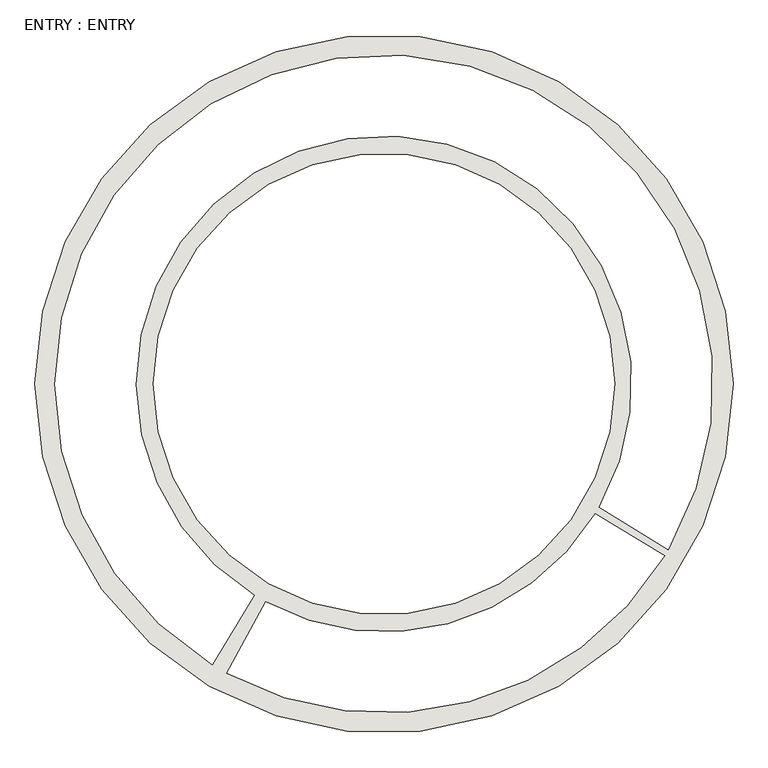
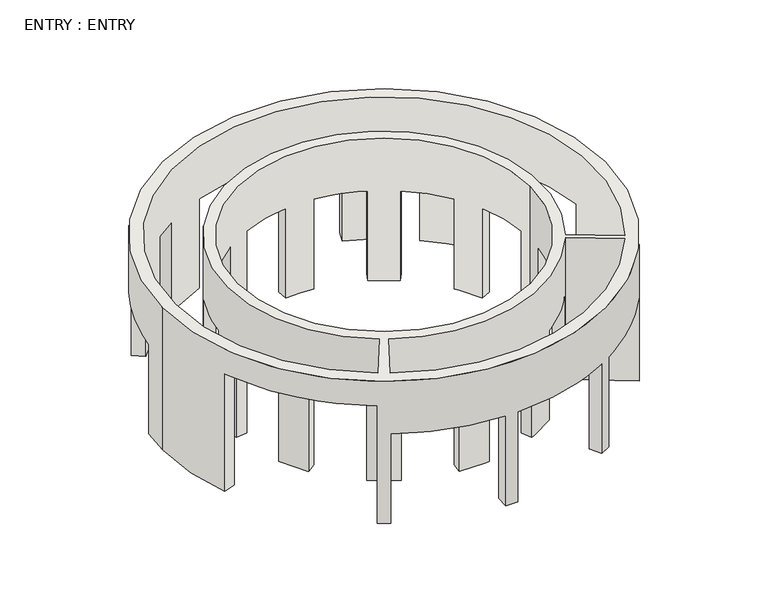
"""IFC4 building model written with IfcOpenShell, lengths in millimetres: wall geometry, ENTRY : ENTRY."""

from ifc_helpers import new_model, si_unit, frame, origin, place, context, project, spatial, polyline, circle_curve, source, transform, mapped, element, save
from ifc_brep_helpers import plane_surface, cylinder_surface, revolved_surface, advanced_brep


def entry_entry_0a0438bb(model_context):
    return source(origin(), model_context, "Body", "AdvancedBrep", [
        advanced_brep(
        [(-33173.9440345, -26167.559635, 5791.2), (-16105.1440345, -26167.559635, 5791.2), (-30278.3440345, -26167.559635, 5791.2), (-19000.7440345, -26167.559635, 5791.2), (-19468.9209178, -29336.1215561, 5791.2), (-17779.6702242, -30371.2957125, 5791.2), (-28478.5009822, -33238.0387741, 5791.2), (-27533.1540464, -31496.9263105, 5791.2), (-28843.280112, -33027.4334453, 5791.2), (-17688.4453157, -30218.6696439, 5791.2), (-19378.2435507, -29183.1599537, 5791.2), (-27808.1059556, -31338.1827517, 5791.2), (-29230.1786194, -22893.0918084, 0.0), (-29770.6336487, -23829.1873783, 0.0), (-30157.7766714, -23652.7561382, 0.0), (-29576.5440667, -22646.0317359, 0.0), (-30278.3440345, -26167.559635, 0.0), (-30252.3841179, -26708.0146643, 0.0), (-30675.8754305, -26748.7922397, 0.0), (-30675.8754305, -25586.3270303, 0.0), (-30252.3841179, -25627.1046057, 0.0), (-26977.9162912, -21036.4700208, 0.0), (-27914.0118612, -21576.9250501, 0.0), (-28161.0719337, -21230.5596028, 0.0), (-27154.3475313, -20649.3269981, 0.0), (-24099.0890052, -20554.7195517, 0.0), (-25179.9990638, -20554.7195517, 0.0), (-25220.7766392, -20131.2282391, 0.0), (-24058.3114298, -20131.2282391, 0.0), (-21365.0762078, -21576.9250501, 0.0), (-22301.1717778, -21036.4700208, 0.0), (-22124.7405377, -20649.3269981, 0.0), (-21118.0161353, -21230.5596028, 0.0), (-19026.7039512, -26708.0146643, 0.0), (-19000.7440345, -26167.559635, 0.0), (-19026.7039512, -25627.1046057, 0.0), (-18603.2126386, -25586.3270303, 0.0), (-18603.2126386, -26748.7922397, 0.0), (-19508.4544203, -23829.1873783, 0.0), (-20048.9094496, -22893.0918084, 0.0), (-19702.5440023, -22646.0317359, 0.0), (-19121.3113976, -23652.7561382, 0.0), (-29770.6336487, -28505.9318917, 0.0), (-29230.1786194, -29442.0274617, 0.0), (-29576.5440667, -29689.0875342, 0.0), (-30157.7766714, -28682.3631318, 0.0), (-33173.9440345, -26167.559635, 0.0), (-33110.3299111, -25127.4779107, 0.0), (-32625.0244702, -25187.0659261, 0.0), (-32125.1720568, -29116.2269296, 0.0), (-32580.0997267, -29295.4277044, 0.0), (-31318.6350883, -20854.7707201, 0.0), (-29952.3329494, -19488.4685812, 0.0), (-29647.9544178, -19871.1248395, 0.0), (-30935.9788301, -21159.1492517, 0.0), (-29130.4641445, -18910.313606, 0.0), (-27558.4807457, -18147.8469322, 0.0), (-27391.2499966, -18607.3096391, 0.0), (-28873.1718466, -19326.0933264, 0.0), (-19326.7551196, -19488.4685812, 0.0), (-17960.4529807, -20854.7707201, 0.0), (-18343.109239, -21159.1492517, 0.0), (-19631.1336512, -19871.1248395, 0.0), (-21720.6073233, -18147.8469322, 0.0), (-20148.6239245, -18910.313606, 0.0), (-20405.9162225, -19326.0933264, 0.0), (-21887.8380724, -18607.3096391, 0.0), (-24416.1394869, -34699.0351093, 0.0), (-24862.9485821, -34699.0351093, 0.0), (-24850.1493633, -34210.2526602, 0.0), (-24428.9387057, -34210.2526602, 0.0), (-20180.3322838, -33444.3318537, 0.0), (-20567.2803109, -33667.7364013, 0.0), (-20800.5870868, -33238.0387741, 0.0), (-20435.807957, -33027.4334453, 0.0), (-19378.2435507, -29183.1599537, 0.0), (-17688.4453157, -30218.6696439, 0.0), (-16654.0635988, -25187.0659261, 0.0), (-16168.7581579, -25127.4779107, 0.0), (-16105.1440345, -26167.559635, 0.0), (-17362.7718158, -30626.7713857, 0.0), (-19468.9209178, -29336.1215561, 0.0), (-19702.5440023, -29689.0875342, 0.0), (-20048.9094496, -29442.0274617, 0.0), (-19508.4544203, -28505.9318917, 0.0), (-19121.3113976, -28682.3631318, 0.0), (-21118.0161353, -31104.5596672, 0.0), (-22124.7405377, -31685.7922719, 0.0), (-22301.1717778, -31298.6492492, 0.0), (-21365.0762078, -30758.1942199, 0.0), (-24058.3114298, -32203.891031, 0.0), (-25220.7766392, -32203.891031, 0.0), (-25179.9990638, -31780.3997184, 0.0), (-24099.0890052, -31780.3997184, 0.0), (-29098.7557852, -33444.3318537, 0.0), (-27808.1059556, -31338.1827517, 0.0), (-28161.0719337, -31104.5596672, 0.0), (-27914.0118612, -30758.1942199, 0.0), (-26977.9162912, -31298.6492492, 0.0), (-27154.3475313, -31685.7922719, 0.0), (-27533.1540464, -31496.9263105, 0.0), (-28711.8077581, -33667.7364013, 0.0), (-32580.0997267, -29295.4277044, 4794.25), (-29098.7557852, -33444.3318537, 4794.25), (-28711.8077581, -33667.7364013, 3657.6), (-24862.9485821, -34699.0351093, 3657.6), (-24416.1394869, -34699.0351093, 3657.6), (-20567.2803109, -33667.7364013, 3657.6), (-20180.3322838, -33444.3318537, 3657.6), (-17362.7718158, -30626.7713857, 3657.6), (-16168.7581579, -25127.4779107, 3657.6), (-17960.4529807, -20854.7707201, 3657.6), (-19326.7551196, -19488.4685812, 3657.6), (-20148.6239245, -18910.313606, 3657.6), (-21720.6073233, -18147.8469322, 3657.6), (-27558.4807457, -18147.8469322, 3657.6), (-29130.4641445, -18910.313606, 3657.6), (-29952.3329494, -19488.4685812, 3657.6), (-31318.6350883, -20854.7707201, 3657.6), (-33110.3299111, -25127.4779107, 3657.6), (-27154.3475313, -31685.7922719, 3657.6), (-25220.7766392, -32203.891031, 3657.6), (-24058.3114298, -32203.891031, 3657.6), (-22124.7405377, -31685.7922719, 3657.6), (-21118.0161353, -31104.5596672, 3657.6), (-19702.5440023, -29689.0875342, 3657.6), (-30252.3841179, -25627.1046057, 3657.6), (-29770.6336487, -23829.1873783, 3657.6), (-29230.1786194, -22893.0918084, 3657.6), (-27914.0118612, -21576.9250501, 3657.6), (-26977.9162912, -21036.4700208, 3657.6), (-25179.9990638, -20554.7195517, 3657.6), (-24099.0890052, -20554.7195517, 3657.6), (-22301.1717778, -21036.4700208, 3657.6), (-21365.0762078, -21576.9250501, 3657.6), (-20048.9094496, -22893.0918084, 3657.6), (-19508.4544203, -23829.1873783, 3657.6), (-19026.7039512, -25627.1046057, 3657.6), (-19026.7039512, -26708.0146643, 3657.6), (-19508.4544203, -28505.9318917, 3657.6), (-20048.9094496, -29442.0274617, 3657.6), (-21365.0762078, -30758.1942199, 3657.6), (-22301.1717778, -31298.6492492, 3657.6), (-24099.0890052, -31780.3997184, 3657.6), (-25179.9990638, -31780.3997184, 3657.6), (-26977.9162912, -31298.6492492, 3657.6), (-27914.0118612, -30758.1942199, 3657.6), (-29230.1786194, -29442.0274617, 3657.6), (-29770.6336487, -28505.9318917, 3657.6), (-30252.3841179, -26708.0146643, 3657.6), (-28161.0719337, -21230.5596028, 3657.6), (-29576.5440667, -22646.0317359, 3657.6), (-30675.8754305, -25586.3270303, 3657.6), (-30157.7766714, -23652.7561382, 3657.6), (-25220.7766392, -20131.2282391, 3657.6), (-27154.3475313, -20649.3269981, 3657.6), (-24058.3114298, -20131.2282391, 3657.6), (-22124.7405377, -20649.3269981, 3657.6), (-19702.5440023, -22646.0317359, 3657.6), (-21118.0161353, -21230.5596028, 3657.6), (-19121.3113976, -23652.7561382, 3657.6), (-18603.2126386, -25586.3270303, 3657.6), (-18603.2126386, -26748.7922397, 3657.6), (-19121.3113976, -28682.3631318, 3657.6), (-29576.5440667, -29689.0875342, 3657.6), (-28161.0719337, -31104.5596672, 3657.6), (-30157.7766714, -28682.3631318, 3657.6), (-30675.8754305, -26748.7922397, 3657.6), (-32625.0244702, -25187.0659261, 3657.6), (-30935.9788301, -21159.1492517, 3657.6), (-29647.9544178, -19871.1248395, 3657.6), (-28873.1718466, -19326.0933264, 3657.6), (-27391.2499966, -18607.3096391, 3657.6), (-21887.8380724, -18607.3096391, 3657.6), (-18343.109239, -21159.1492517, 3657.6), (-16654.0635988, -25187.0659261, 3657.6), (-20405.9162225, -19326.0933264, 3657.6), (-19631.1336512, -19871.1248395, 3657.6), (-24850.1493633, -34210.2526602, 3657.6), (-28478.5009822, -33238.0387741, 3657.6), (-20800.5870868, -33238.0387741, 3657.6), (-24428.9387057, -34210.2526602, 3657.6), (-17779.6702242, -30371.2957125, 3657.6), (-20435.807957, -33027.4334453, 3657.6), (-28843.280112, -33027.4334453, 4794.25), (-32125.1720568, -29116.2269296, 4794.25)],
        [
            (0, 1, circle_curve(frame((-24639.5440345, -26167.559635, 5791.2), z_axis=(0.0, 0.0, 1.0), x_axis=(1.0, 0.0, 0.0)), 8534.4)),
            (1, 0, circle_curve(frame((-24639.5440345, -26167.559635, 5791.2), z_axis=(0.0, 0.0, 1.0), x_axis=(1.0, 0.0, 0.0)), 8534.4)),
            (2, 3, circle_curve(frame((-24639.5440345, -26167.559635, 5791.2), z_axis=(0.0, 0.0, -1.0), x_axis=(1.0, 0.0, 0.0)), 5638.8)),
            (3, 2, circle_curve(frame((-24639.5440345, -26167.559635, 5791.2), z_axis=(0.0, 0.0, -1.0), x_axis=(1.0, 0.0, 0.0)), 5638.8)),
            (4, 5),
            (5, 6, circle_curve(frame((-24639.5440345, -26167.559635, 5791.2), z_axis=(0.0, 0.0, -1.0), x_axis=(1.0, 0.0, 0.0)), 8045.45)),
            (6, 7),
            (7, 4, circle_curve(frame((-24639.5440345, -26167.559635, 5791.2), z_axis=(0.0, 0.0, 1.0), x_axis=(1.0, 0.0, 0.0)), 6064.25)),
            (8, 9, circle_curve(frame((-24639.5440345, -26167.559635, 5791.2), z_axis=(0.0, 0.0, -1.0), x_axis=(1.0, 0.0, 0.0)), 8045.45)),
            (9, 10),
            (10, 11, circle_curve(frame((-24639.5440345, -26167.559635, 5791.2), z_axis=(0.0, 0.0, 1.0), x_axis=(1.0, 0.0, 0.0)), 6064.25)),
            (11, 8),
            (12, 13, circle_curve(frame((-24639.5440345, -26167.559635, 0.0), z_axis=(0.0, 0.0, 1.0), x_axis=(1.0, 0.0, 0.0)), 5638.8)),
            (13, 14),
            (14, 15, circle_curve(frame((-24639.5440345, -26167.559635, 0.0), z_axis=(0.0, 0.0, -1.0), x_axis=(1.0, 0.0, 0.0)), 6064.25)),
            (15, 12),
            (16, 17, circle_curve(frame((-24639.5440345, -26167.559635, 0.0), z_axis=(0.0, 0.0, 1.0), x_axis=(1.0, 0.0, 0.0)), 5638.8)),
            (17, 18),
            (18, 19, circle_curve(frame((-24639.5440345, -26167.559635, 0.0), z_axis=(0.0, 0.0, -1.0), x_axis=(1.0, 0.0, 0.0)), 6064.25)),
            (19, 20),
            (20, 16, circle_curve(frame((-24639.5440345, -26167.559635, 0.0), z_axis=(0.0, 0.0, 1.0), x_axis=(1.0, 0.0, 0.0)), 5638.8)),
            (21, 22, circle_curve(frame((-24639.5440345, -26167.559635, 0.0), z_axis=(0.0, 0.0, 1.0), x_axis=(1.0, 0.0, 0.0)), 5638.8)),
            (22, 23),
            (23, 24, circle_curve(frame((-24639.5440345, -26167.559635, 0.0), z_axis=(0.0, 0.0, -1.0), x_axis=(1.0, 0.0, 0.0)), 6064.25)),
            (24, 21),
            (25, 26, circle_curve(frame((-24639.5440345, -26167.559635, 0.0), z_axis=(0.0, 0.0, 1.0), x_axis=(1.0, 0.0, 0.0)), 5638.8)),
            (26, 27),
            (27, 28, circle_curve(frame((-24639.5440345, -26167.559635, 0.0), z_axis=(0.0, 0.0, -1.0), x_axis=(1.0, 0.0, 0.0)), 6064.25)),
            (28, 25),
            (29, 30, circle_curve(frame((-24639.5440345, -26167.559635, 0.0), z_axis=(0.0, 0.0, 1.0), x_axis=(1.0, 0.0, 0.0)), 5638.8)),
            (30, 31),
            (31, 32, circle_curve(frame((-24639.5440345, -26167.559635, 0.0), z_axis=(0.0, 0.0, -1.0), x_axis=(1.0, 0.0, 0.0)), 6064.25)),
            (32, 29),
            (33, 34, circle_curve(frame((-24639.5440345, -26167.559635, 0.0), z_axis=(0.0, 0.0, 1.0), x_axis=(1.0, 0.0, 0.0)), 5638.8)),
            (34, 35, circle_curve(frame((-24639.5440345, -26167.559635, 0.0), z_axis=(0.0, 0.0, 1.0), x_axis=(1.0, 0.0, 0.0)), 5638.8)),
            (35, 36),
            (36, 37, circle_curve(frame((-24639.5440345, -26167.559635, 0.0), z_axis=(0.0, 0.0, -1.0), x_axis=(1.0, 0.0, 0.0)), 6064.25)),
            (37, 33),
            (38, 39, circle_curve(frame((-24639.5440345, -26167.559635, 0.0), z_axis=(0.0, 0.0, 1.0), x_axis=(1.0, 0.0, 0.0)), 5638.8)),
            (39, 40),
            (40, 41, circle_curve(frame((-24639.5440345, -26167.559635, 0.0), z_axis=(0.0, 0.0, -1.0), x_axis=(1.0, 0.0, 0.0)), 6064.25)),
            (41, 38),
            (42, 43, circle_curve(frame((-24639.5440345, -26167.559635, 0.0), z_axis=(0.0, 0.0, 1.0), x_axis=(1.0, 0.0, 0.0)), 5638.8)),
            (43, 44),
            (44, 45, circle_curve(frame((-24639.5440345, -26167.559635, 0.0), z_axis=(0.0, 0.0, -1.0), x_axis=(1.0, 0.0, 0.0)), 6064.25)),
            (45, 42),
            (46, 47, circle_curve(frame((-24639.5440345, -26167.559635, 0.0), z_axis=(0.0, 0.0, -1.0), x_axis=(1.0, 0.0, 0.0)), 8534.4)),
            (47, 48),
            (48, 49, circle_curve(frame((-24639.5440345, -26167.559635, 0.0), z_axis=(0.0, 0.0, 1.0), x_axis=(1.0, 0.0, 0.0)), 8045.45)),
            (49, 50),
            (50, 46, circle_curve(frame((-24639.5440345, -26167.559635, 0.0), z_axis=(0.0, 0.0, -1.0), x_axis=(1.0, 0.0, 0.0)), 8534.4)),
            (51, 52, circle_curve(frame((-24639.5440345, -26167.559635, 0.0), z_axis=(0.0, 0.0, -1.0), x_axis=(1.0, 0.0, 0.0)), 8534.4)),
            (52, 53),
            (53, 54, circle_curve(frame((-24639.5440345, -26167.559635, 0.0), z_axis=(0.0, 0.0, 1.0), x_axis=(1.0, 0.0, 0.0)), 8045.45)),
            (54, 51),
            (55, 56, circle_curve(frame((-24639.5440345, -26167.559635, 0.0), z_axis=(0.0, 0.0, -1.0), x_axis=(1.0, 0.0, 0.0)), 8534.4)),
            (56, 57),
            (57, 58, circle_curve(frame((-24639.5440345, -26167.559635, 0.0), z_axis=(0.0, 0.0, 1.0), x_axis=(1.0, 0.0, 0.0)), 8045.45)),
            (58, 55),
            (59, 60, circle_curve(frame((-24639.5440345, -26167.559635, 0.0), z_axis=(0.0, 0.0, -1.0), x_axis=(1.0, 0.0, 0.0)), 8534.4)),
            (60, 61),
            (61, 62, circle_curve(frame((-24639.5440345, -26167.559635, 0.0), z_axis=(0.0, 0.0, 1.0), x_axis=(1.0, 0.0, 0.0)), 8045.45)),
            (62, 59),
            (63, 64, circle_curve(frame((-24639.5440345, -26167.559635, 0.0), z_axis=(0.0, 0.0, -1.0), x_axis=(1.0, 0.0, 0.0)), 8534.4)),
            (64, 65),
            (65, 66, circle_curve(frame((-24639.5440345, -26167.559635, 0.0), z_axis=(0.0, 0.0, 1.0), x_axis=(1.0, 0.0, 0.0)), 8045.45)),
            (66, 63),
            (67, 68, circle_curve(frame((-24639.5440345, -26167.559635, 0.0), z_axis=(0.0, 0.0, -1.0), x_axis=(1.0, 0.0, 0.0)), 8534.4)),
            (68, 69),
            (69, 70, circle_curve(frame((-24639.5440345, -26167.559635, 0.0), z_axis=(0.0, 0.0, 1.0), x_axis=(1.0, 0.0, 0.0)), 8045.45)),
            (70, 67),
            (71, 72, circle_curve(frame((-24639.5440345, -26167.559635, 0.0), z_axis=(0.0, 0.0, -1.0), x_axis=(1.0, 0.0, 0.0)), 8534.4)),
            (72, 73),
            (73, 74, circle_curve(frame((-24639.5440345, -26167.559635, 0.0), z_axis=(0.0, 0.0, 1.0), x_axis=(1.0, 0.0, 0.0)), 8045.45)),
            (74, 71),
            (75, 76),
            (76, 77, circle_curve(frame((-24639.5440345, -26167.559635, 0.0), z_axis=(0.0, 0.0, 1.0), x_axis=(1.0, 0.0, 0.0)), 8045.45)),
            (77, 78),
            (78, 79, circle_curve(frame((-24639.5440345, -26167.559635, 0.0), z_axis=(0.0, 0.0, -1.0), x_axis=(1.0, 0.0, 0.0)), 8534.4)),
            (79, 80, circle_curve(frame((-24639.5440345, -26167.559635, 0.0), z_axis=(0.0, 0.0, -1.0), x_axis=(1.0, 0.0, 0.0)), 8534.4)),
            (80, 81),
            (81, 82, circle_curve(frame((-24639.5440345, -26167.559635, 0.0), z_axis=(0.0, 0.0, -1.0), x_axis=(1.0, 0.0, 0.0)), 6064.25)),
            (82, 83),
            (83, 84, circle_curve(frame((-24639.5440345, -26167.559635, 0.0), z_axis=(0.0, 0.0, 1.0), x_axis=(1.0, 0.0, 0.0)), 5638.8)),
            (84, 85),
            (85, 75, circle_curve(frame((-24639.5440345, -26167.559635, 0.0), z_axis=(0.0, 0.0, -1.0), x_axis=(1.0, 0.0, 0.0)), 6064.25)),
            (86, 87, circle_curve(frame((-24639.5440345, -26167.559635, 0.0), z_axis=(0.0, 0.0, -1.0), x_axis=(1.0, 0.0, 0.0)), 6064.25)),
            (87, 88),
            (88, 89, circle_curve(frame((-24639.5440345, -26167.559635, 0.0), z_axis=(0.0, 0.0, 1.0), x_axis=(1.0, 0.0, 0.0)), 5638.8)),
            (89, 86),
            (90, 91, circle_curve(frame((-24639.5440345, -26167.559635, 0.0), z_axis=(0.0, 0.0, -1.0), x_axis=(1.0, 0.0, 0.0)), 6064.25)),
            (91, 92),
            (92, 93, circle_curve(frame((-24639.5440345, -26167.559635, 0.0), z_axis=(0.0, 0.0, 1.0), x_axis=(1.0, 0.0, 0.0)), 5638.8)),
            (93, 90),
            (94, 95),
            (95, 96, circle_curve(frame((-24639.5440345, -26167.559635, 0.0), z_axis=(0.0, 0.0, -1.0), x_axis=(1.0, 0.0, 0.0)), 6064.25)),
            (96, 97),
            (97, 98, circle_curve(frame((-24639.5440345, -26167.559635, 0.0), z_axis=(0.0, 0.0, 1.0), x_axis=(1.0, 0.0, 0.0)), 5638.8)),
            (98, 99),
            (99, 100, circle_curve(frame((-24639.5440345, -26167.559635, 0.0), z_axis=(0.0, 0.0, -1.0), x_axis=(1.0, 0.0, 0.0)), 6064.25)),
            (100, 101),
            (101, 94, circle_curve(frame((-24639.5440345, -26167.559635, 0.0), z_axis=(0.0, 0.0, -1.0), x_axis=(1.0, 0.0, 0.0)), 8534.4)),
            (0, 46),
            (50, 102),
            (102, 103, circle_curve(frame((-24639.5440345, -26167.559635, 4794.25), z_axis=(0.0, 0.0, 1.0), x_axis=(1.0, 0.0, 0.0)), 8534.4)),
            (103, 94),
            (101, 104),
            (104, 105, circle_curve(frame((-24639.5440345, -26167.559635, 3657.6), z_axis=(0.0, 0.0, 1.0), x_axis=(1.0, 0.0, 0.0)), 8534.4)),
            (105, 68),
            (67, 106),
            (106, 107, circle_curve(frame((-24639.5440345, -26167.559635, 3657.6), z_axis=(0.0, 0.0, 1.0), x_axis=(1.0, 0.0, 0.0)), 8534.4)),
            (107, 72),
            (71, 108),
            (108, 109, circle_curve(frame((-24639.5440345, -26167.559635, 3657.6), z_axis=(0.0, 0.0, 1.0), x_axis=(1.0, 0.0, 0.0)), 8534.4)),
            (109, 80),
            (79, 1),
            (78, 110),
            (110, 111, circle_curve(frame((-24639.5440345, -26167.559635, 3657.6), z_axis=(0.0, 0.0, 1.0), x_axis=(1.0, 0.0, 0.0)), 8534.4)),
            (111, 60),
            (59, 112),
            (112, 113, circle_curve(frame((-24639.5440345, -26167.559635, 3657.6), z_axis=(0.0, 0.0, 1.0), x_axis=(1.0, 0.0, 0.0)), 8534.4)),
            (113, 64),
            (63, 114),
            (114, 115, circle_curve(frame((-24639.5440345, -26167.559635, 3657.6), z_axis=(0.0, 0.0, 1.0), x_axis=(1.0, 0.0, 0.0)), 8534.4)),
            (115, 56),
            (55, 116),
            (116, 117, circle_curve(frame((-24639.5440345, -26167.559635, 3657.6), z_axis=(0.0, 0.0, 1.0), x_axis=(1.0, 0.0, 0.0)), 8534.4)),
            (117, 52),
            (51, 118),
            (118, 119, circle_curve(frame((-24639.5440345, -26167.559635, 3657.6), z_axis=(0.0, 0.0, 1.0), x_axis=(1.0, 0.0, 0.0)), 8534.4)),
            (119, 47),
            (7, 100),
            (99, 120),
            (120, 121, circle_curve(frame((-24639.5440345, -26167.559635, 3657.6), z_axis=(0.0, 0.0, 1.0), x_axis=(1.0, 0.0, 0.0)), 6064.25)),
            (121, 91),
            (90, 122),
            (122, 123, circle_curve(frame((-24639.5440345, -26167.559635, 3657.6), z_axis=(0.0, 0.0, 1.0), x_axis=(1.0, 0.0, 0.0)), 6064.25)),
            (123, 87),
            (86, 124),
            (124, 125, circle_curve(frame((-24639.5440345, -26167.559635, 3657.6), z_axis=(0.0, 0.0, 1.0), x_axis=(1.0, 0.0, 0.0)), 6064.25)),
            (125, 82),
            (81, 4),
            (2, 16),
            (20, 126),
            (126, 127, circle_curve(frame((-24639.5440345, -26167.559635, 3657.6), z_axis=(0.0, 0.0, -1.0), x_axis=(1.0, 0.0, 0.0)), 5638.8)),
            (127, 13),
            (12, 128),
            (128, 129, circle_curve(frame((-24639.5440345, -26167.559635, 3657.6), z_axis=(0.0, 0.0, -1.0), x_axis=(1.0, 0.0, 0.0)), 5638.8)),
            (129, 22),
            (21, 130),
            (130, 131, circle_curve(frame((-24639.5440345, -26167.559635, 3657.6), z_axis=(0.0, 0.0, -1.0), x_axis=(1.0, 0.0, 0.0)), 5638.8)),
            (131, 26),
            (25, 132),
            (132, 133, circle_curve(frame((-24639.5440345, -26167.559635, 3657.6), z_axis=(0.0, 0.0, -1.0), x_axis=(1.0, 0.0, 0.0)), 5638.8)),
            (133, 30),
            (29, 134),
            (134, 135, circle_curve(frame((-24639.5440345, -26167.559635, 3657.6), z_axis=(0.0, 0.0, -1.0), x_axis=(1.0, 0.0, 0.0)), 5638.8)),
            (135, 39),
            (38, 136),
            (136, 137, circle_curve(frame((-24639.5440345, -26167.559635, 3657.6), z_axis=(0.0, 0.0, -1.0), x_axis=(1.0, 0.0, 0.0)), 5638.8)),
            (137, 35),
            (34, 3),
            (33, 138),
            (138, 139, circle_curve(frame((-24639.5440345, -26167.559635, 3657.6), z_axis=(0.0, 0.0, -1.0), x_axis=(1.0, 0.0, 0.0)), 5638.8)),
            (139, 84),
            (83, 140),
            (140, 141, circle_curve(frame((-24639.5440345, -26167.559635, 3657.6), z_axis=(0.0, 0.0, -1.0), x_axis=(1.0, 0.0, 0.0)), 5638.8)),
            (141, 89),
            (88, 142),
            (142, 143, circle_curve(frame((-24639.5440345, -26167.559635, 3657.6), z_axis=(0.0, 0.0, -1.0), x_axis=(1.0, 0.0, 0.0)), 5638.8)),
            (143, 93),
            (92, 144),
            (144, 145, circle_curve(frame((-24639.5440345, -26167.559635, 3657.6), z_axis=(0.0, 0.0, -1.0), x_axis=(1.0, 0.0, 0.0)), 5638.8)),
            (145, 98),
            (97, 146),
            (146, 147, circle_curve(frame((-24639.5440345, -26167.559635, 3657.6), z_axis=(0.0, 0.0, -1.0), x_axis=(1.0, 0.0, 0.0)), 5638.8)),
            (147, 43),
            (42, 148),
            (148, 149, circle_curve(frame((-24639.5440345, -26167.559635, 3657.6), z_axis=(0.0, 0.0, -1.0), x_axis=(1.0, 0.0, 0.0)), 5638.8)),
            (149, 17),
            (150, 129),
            (128, 151),
            (151, 150, circle_curve(frame((-24639.5440345, -26167.559635, 3657.6), z_axis=(0.0, 0.0, -1.0), x_axis=(1.0, 0.0, 0.0)), 6064.25)),
            (126, 152),
            (152, 153, circle_curve(frame((-24639.5440345, -26167.559635, 3657.6), z_axis=(0.0, 0.0, -1.0), x_axis=(1.0, 0.0, 0.0)), 6064.25)),
            (153, 127),
            (154, 131),
            (130, 155),
            (155, 154, circle_curve(frame((-24639.5440345, -26167.559635, 3657.6), z_axis=(0.0, 0.0, -1.0), x_axis=(1.0, 0.0, 0.0)), 6064.25)),
            (132, 156),
            (156, 157, circle_curve(frame((-24639.5440345, -26167.559635, 3657.6), z_axis=(0.0, 0.0, -1.0), x_axis=(1.0, 0.0, 0.0)), 6064.25)),
            (157, 133),
            (158, 135),
            (134, 159),
            (159, 158, circle_curve(frame((-24639.5440345, -26167.559635, 3657.6), z_axis=(0.0, 0.0, -1.0), x_axis=(1.0, 0.0, 0.0)), 6064.25)),
            (136, 160),
            (160, 161, circle_curve(frame((-24639.5440345, -26167.559635, 3657.6), z_axis=(0.0, 0.0, -1.0), x_axis=(1.0, 0.0, 0.0)), 6064.25)),
            (161, 137),
            (142, 123),
            (122, 143),
            (124, 141),
            (140, 125),
            (138, 162),
            (162, 163, circle_curve(frame((-24639.5440345, -26167.559635, 3657.6), z_axis=(0.0, 0.0, -1.0), x_axis=(1.0, 0.0, 0.0)), 6064.25)),
            (163, 139),
            (144, 121),
            (120, 145),
            (164, 147),
            (146, 165),
            (165, 164, circle_curve(frame((-24639.5440345, -26167.559635, 3657.6), z_axis=(0.0, 0.0, -1.0), x_axis=(1.0, 0.0, 0.0)), 6064.25)),
            (148, 166),
            (166, 167, circle_curve(frame((-24639.5440345, -26167.559635, 3657.6), z_axis=(0.0, 0.0, -1.0), x_axis=(1.0, 0.0, 0.0)), 6064.25)),
            (167, 149),
            (15, 151),
            (150, 23),
            (153, 14),
            (19, 152),
            (24, 155),
            (154, 27),
            (157, 31),
            (28, 156),
            (32, 159),
            (158, 40),
            (161, 36),
            (41, 160),
            (163, 85),
            (37, 162),
            (96, 165),
            (164, 44),
            (167, 18),
            (45, 166),
            (168, 119),
            (118, 169),
            (169, 168, circle_curve(frame((-24639.5440345, -26167.559635, 3657.6), z_axis=(0.0, 0.0, 1.0), x_axis=(1.0, 0.0, 0.0)), 8045.45)),
            (170, 117),
            (116, 171),
            (171, 170, circle_curve(frame((-24639.5440345, -26167.559635, 3657.6), z_axis=(0.0, 0.0, 1.0), x_axis=(1.0, 0.0, 0.0)), 8045.45)),
            (172, 115),
            (114, 173),
            (173, 172, circle_curve(frame((-24639.5440345, -26167.559635, 3657.6), z_axis=(0.0, 0.0, 1.0), x_axis=(1.0, 0.0, 0.0)), 8045.45)),
            (174, 111),
            (110, 175),
            (175, 174, circle_curve(frame((-24639.5440345, -26167.559635, 3657.6), z_axis=(0.0, 0.0, 1.0), x_axis=(1.0, 0.0, 0.0)), 8045.45)),
            (176, 113),
            (112, 177),
            (177, 176, circle_curve(frame((-24639.5440345, -26167.559635, 3657.6), z_axis=(0.0, 0.0, 1.0), x_axis=(1.0, 0.0, 0.0)), 8045.45)),
            (178, 105),
            (104, 179),
            (179, 178, circle_curve(frame((-24639.5440345, -26167.559635, 3657.6), z_axis=(0.0, 0.0, 1.0), x_axis=(1.0, 0.0, 0.0)), 8045.45)),
            (180, 107),
            (106, 181),
            (181, 180, circle_curve(frame((-24639.5440345, -26167.559635, 3657.6), z_axis=(0.0, 0.0, 1.0), x_axis=(1.0, 0.0, 0.0)), 8045.45)),
            (182, 109),
            (108, 183),
            (183, 182, circle_curve(frame((-24639.5440345, -26167.559635, 3657.6), z_axis=(0.0, 0.0, 1.0), x_axis=(1.0, 0.0, 0.0)), 8045.45)),
            (54, 169),
            (168, 48),
            (58, 171),
            (170, 53),
            (66, 173),
            (172, 57),
            (77, 175),
            (174, 61),
            (62, 177),
            (176, 65),
            (178, 69),
            (70, 181),
            (180, 73),
            (74, 183),
            (182, 5),
            (179, 6),
            (8, 184),
            (184, 185, circle_curve(frame((-24639.5440345, -26167.559635, 4794.25), z_axis=(0.0, 0.0, -1.0), x_axis=(1.0, 0.0, 0.0)), 8045.45)),
            (185, 49),
            (76, 9),
            (75, 10),
            (95, 11),
            (103, 184),
            (102, 185),
        ],
        [
            plane_surface(frame((-16105.1440345, -26167.559635, 5791.2), z_axis=(0.0, 0.0, 1.0), x_axis=(0.0, 1.0, 0.0))),
            plane_surface(frame((-16105.1440345, -26167.559635, 0.0), z_axis=(0.0, 0.0, -1.0), x_axis=(0.0, -1.0, 0.0))),
            cylinder_surface(frame((-24639.5440345, -26167.559635, 0.0), z_axis=(0.0, 0.0, 1.0), x_axis=(1.0, 0.0, 0.0)), 8534.4),
            cylinder_surface(frame((-24639.5440345, -26167.559635, 0.0), z_axis=(0.0, 0.0, 1.0), x_axis=(1.0, 0.0, 0.0)), 6064.25),
            revolved_surface(polyline([(-19000.7440345, -26167.559635, 0.0), (-19000.7440345, -26167.559635, 5791.2)]), (-24639.5440345, -26167.559635, 0.0), (0.0, 0.0, -1.0)),
            plane_surface(frame((-29576.5440667, -22646.0317359, 3657.6), z_axis=(0.0, 0.0, -1.0), x_axis=(0.8141155183563166, -0.5807029557109434, 0.0))),
            plane_surface(frame((-29576.5440667, -22646.0317359, 3657.6), z_axis=(0.5807029557109434, 0.8141155183563166, 0.0), x_axis=(0.0, 0.0, -1.0))),
            plane_surface(frame((-27914.0118612, -21576.9250501, 3657.6), z_axis=(-0.8141155183563248, -0.5807029557109319, 0.0), x_axis=(0.0, 0.0, -1.0))),
            plane_surface(frame((-29770.6336487, -23829.1873783, 3657.6), z_axis=(-0.4146932426562394, -0.9099612708765432, 0.0), x_axis=(0.0, 0.0, -1.0))),
            plane_surface(frame((-30675.8754305, -25586.3270303, 3657.6), z_axis=(0.09584575252022307, 0.9953961983671789, 0.0), x_axis=(0.0, 0.0, -1.0))),
            plane_surface(frame((-27154.3475313, -20649.3269981, 3657.6), z_axis=(0.9099612708765432, 0.4146932426562394, 0.0), x_axis=(0.0, 0.0, -1.0))),
            plane_surface(frame((-25179.9990638, -20554.7195517, 3657.6), z_axis=(-0.9953961983671799, -0.09584575252021298, 0.0), x_axis=(0.0, 0.0, -1.0))),
            plane_surface(frame((-22301.1717778, -21036.4700208, 3657.6), z_axis=(-0.909961270876541, 0.41469324265624397, 0.0), x_axis=(0.0, 0.0, -1.0))),
            plane_surface(frame((-24058.3114298, -20131.2282391, 3657.6), z_axis=(0.9953961983671789, -0.09584575252022307, 0.0), x_axis=(0.0, 0.0, -1.0))),
            plane_surface(frame((-21118.0161353, -21230.5596028, 3657.6), z_axis=(0.8141155183563248, -0.5807029557109319, 0.0), x_axis=(0.0, 0.0, -1.0))),
            plane_surface(frame((-20048.9094496, -22893.0918084, 3657.6), z_axis=(-0.5807029557109434, 0.8141155183563166, 0.0), x_axis=(0.0, 0.0, -1.0))),
            plane_surface(frame((-19026.7039512, -25627.1046057, 3657.6), z_axis=(-0.09584575252022258, 0.995396198367179, 0.0), x_axis=(0.0, 0.0, -1.0))),
            plane_surface(frame((-19121.3113976, -23652.7561382, 3657.6), z_axis=(0.4146932426562394, -0.9099612708765432, 0.0), x_axis=(0.0, 0.0, -1.0))),
            plane_surface(frame((-24099.0890052, -31780.3997184, 3657.6), z_axis=(0.9953961983671789, 0.09584575252022307, 0.0), x_axis=(0.0, 0.0, -1.0))),
            plane_surface(frame((-22124.7405377, -31685.7922719, 3657.6), z_axis=(-0.909961270876541, -0.41469324265624397, 0.0), x_axis=(0.0, 0.0, -1.0))),
            plane_surface(frame((-19702.5440023, -29689.0875342, 3657.6), z_axis=(-0.5807029557109434, -0.8141155183563166, 0.0), x_axis=(0.0, 0.0, -1.0))),
            plane_surface(frame((-21365.0762078, -30758.1942199, 3657.6), z_axis=(0.8141155183563248, 0.5807029557109319, 0.0), x_axis=(0.0, 0.0, -1.0))),
            plane_surface(frame((-19508.4544203, -28505.9318917, 3657.6), z_axis=(0.4146932426562497, 0.9099612708765383, 0.0), x_axis=(0.0, 0.0, -1.0))),
            plane_surface(frame((-18603.2126386, -26748.7922397, 3657.6), z_axis=(-0.09584575252023315, -0.995396198367178, 0.0), x_axis=(0.0, 0.0, -1.0))),
            plane_surface(frame((-26977.9162912, -31298.6492492, 3657.6), z_axis=(0.909961270876541, -0.41469324265624397, 0.0), x_axis=(0.0, 0.0, -1.0))),
            plane_surface(frame((-25220.7766392, -32203.891031, 3657.6), z_axis=(-0.9953961983671789, 0.09584575252022307, 0.0), x_axis=(0.0, 0.0, -1.0))),
            plane_surface(frame((-28161.0719337, -31104.5596672, 3657.6), z_axis=(-0.8141155183563248, 0.5807029557109319, 0.0), x_axis=(0.0, 0.0, -1.0))),
            plane_surface(frame((-29230.1786194, -29442.0274617, 3657.6), z_axis=(0.5807029557109434, -0.8141155183563166, 0.0), x_axis=(0.0, 0.0, -1.0))),
            plane_surface(frame((-30252.3841179, -26708.0146643, 3657.6), z_axis=(0.09584575252023315, -0.995396198367178, 0.0), x_axis=(0.0, 0.0, -1.0))),
            plane_surface(frame((-30157.7766714, -28682.3631318, 3657.6), z_axis=(-0.4146932426562516, 0.9099612708765374, 0.0), x_axis=(0.0, 0.0, -1.0))),
            plane_surface(frame((-16594.0940345, -26167.559635, 3657.6), z_axis=(0.0, 0.0, -1.0), x_axis=(0.0, -1.0, 0.0))),
            plane_surface(frame((-30935.9788301, -21159.1492517, 3657.6), z_axis=(-0.6225146366377025, -0.7826081568523481, 0.0), x_axis=(0.0, 0.0, -1.0))),
            plane_surface(frame((-33110.3299111, -25127.4779107, 3657.6), z_axis=(0.1218693434051536, 0.9925461516413213, 0.0), x_axis=(0.0, 0.0, -1.0))),
            plane_surface(frame((-28873.1718466, -19326.0933264, 3657.6), z_axis=(-0.8503522249955645, -0.5262139236518671, 0.0), x_axis=(0.0, 0.0, -1.0))),
            plane_surface(frame((-29952.3329494, -19488.4685812, 3657.6), z_axis=(0.7826081568524187, 0.6225146366376137, 0.0), x_axis=(0.0, 0.0, -1.0))),
            plane_surface(frame((-21887.8380724, -18607.3096391, 3657.6), z_axis=(-0.9396926207859078, 0.34202014332567054, 0.0), x_axis=(0.0, 0.0, -1.0))),
            plane_surface(frame((-27558.4807457, -18147.8469322, 3657.6), z_axis=(0.9396926207859078, 0.34202014332567054, 0.0), x_axis=(0.0, 0.0, -1.0))),
            plane_surface(frame((-16654.0635988, -25187.0659261, 3657.6), z_axis=(-0.1218693434052692, 0.9925461516413072, 0.0), x_axis=(0.0, 0.0, -1.0))),
            plane_surface(frame((-17960.4529807, -20854.7707201, 3657.6), z_axis=(0.62251463663771, -0.782608156852342, 0.0), x_axis=(0.0, 0.0, -1.0))),
            plane_surface(frame((-19631.1336512, -19871.1248395, 3657.6), z_axis=(-0.7826081568524893, 0.6225146366375249, 0.0), x_axis=(0.0, 0.0, -1.0))),
            plane_surface(frame((-20148.6239245, -18910.313606, 3657.6), z_axis=(0.85035222499562, -0.5262139236517772, 0.0), x_axis=(0.0, 0.0, -1.0))),
            plane_surface(frame((-24862.9485821, -34699.0351093, 3657.6), z_axis=(-0.99965732497556, 0.026176948307770134, 0.0), x_axis=(0.0, 0.0, -1.0))),
            plane_surface(frame((-24428.9387057, -34210.2526602, 3657.6), z_axis=(0.999657324975557, 0.02617694830788499, 0.0), x_axis=(0.0, 0.0, -1.0))),
            plane_surface(frame((-20567.2803109, -33667.7364013, 3657.6), z_axis=(-0.8788171126619159, -0.47715876025969967, 0.0), x_axis=(0.0, 0.0, -1.0))),
            plane_surface(frame((-20435.807957, -33027.4334453, 3657.6), z_axis=(0.852640164354084, 0.5224985647159625, 0.0), x_axis=(0.0, 0.0, -1.0))),
            plane_surface(frame((-19468.9209178, -29336.1215561, 5791.2), z_axis=(-0.5224985647158613, -0.8526401643541459, 0.0), x_axis=(0.0, 0.0, -1.0))),
            revolved_surface(polyline([(-16594.094034499998, -26167.559635, 0.0), (-16594.094034499998, -26167.559635, 5791.2)]), (-24639.5440345, -26167.559635, 0.0), (0.0, 0.0, -1.0)),
            plane_surface(frame((-28478.5009822, -33238.0387741, 5791.2), z_axis=(0.8788171126619876, -0.4771587602595677, 0.0), x_axis=(0.0, 0.0, -1.0))),
            plane_surface(frame((-17688.4453157, -30218.6696439, 5791.2), z_axis=(0.5224985647158353, 0.8526401643541618, 0.0), x_axis=(0.0, 0.0, -1.0))),
            plane_surface(frame((-27808.1059556, -31338.1827517, 5791.2), z_axis=(-0.8526401643540931, 0.5224985647159477, 0.0), x_axis=(0.0, 0.0, -1.0))),
            plane_surface(frame((-32580.0997267, -29295.4277044, 4794.25), z_axis=(0.0, 0.0, -1.0), x_axis=(-0.9304175679819857, -0.36650122672439567, 0.0))),
            plane_surface(frame((-32125.1720568, -29116.2269296, 4794.25), z_axis=(0.36650122672439567, -0.9304175679819857, 0.0), x_axis=(0.0, 0.0, -1.0))),
        ],
        [
            (0, [[1, 2], [3, 4], [5, 6, 7, 8], [9, 10, 11, 12]]),
            (1, [[13, 14, 15, 16]]),
            (1, [[17, 18, 19, 20, 21]]),
            (1, [[22, 23, 24, 25]]),
            (1, [[26, 27, 28, 29]]),
            (1, [[30, 31, 32, 33]]),
            (1, [[34, 35, 36, 37, 38]]),
            (1, [[39, 40, 41, 42]]),
            (1, [[43, 44, 45, 46]]),
            (1, [[47, 48, 49, 50, 51]]),
            (1, [[52, 53, 54, 55]]),
            (1, [[56, 57, 58, 59]]),
            (1, [[60, 61, 62, 63]]),
            (1, [[64, 65, 66, 67]]),
            (1, [[68, 69, 70, 71]]),
            (1, [[72, 73, 74, 75]]),
            (1, [[76, 77, 78, 79, 80, 81, 82, 83, 84, 85, 86]]),
            (1, [[87, 88, 89, 90]]),
            (1, [[91, 92, 93, 94]]),
            (1, [[95, 96, 97, 98, 99, 100, 101, 102]]),
            (2, [[-1, 103, -51, 104, 105, 106, -102, 107, 108, 109, -68, 110, 111, 112, -72, 113, 114, 115, -80, 116]]),
            (2, [[-2, -116, -79, 117, 118, 119, -60, 120, 121, 122, -64, 123, 124, 125, -56, 126, 127, 128, -52, 129, 130, 131, -47, -103]]),
            (3, [[-8, 132, -100, 133, 134, 135, -91, 136, 137, 138, -87, 139, 140, 141, -82, 142]]),
            (4, [[-3, 143, -21, 144, 145, 146, -13, 147, 148, 149, -22, 150, 151, 152, -26, 153, 154, 155, -30, 156, 157, 158, -39, 159, 160, 161, -35, 162]]),
            (4, [[-4, -162, -34, 163, 164, 165, -84, 166, 167, 168, -89, 169, 170, 171, -93, 172, 173, 174, -98, 175, 176, 177, -43, 178, 179, 180, -17, -143]]),
            (5, [[181, -148, 182, 183]]),
            (5, [[184, 185, 186, -145]]),
            (5, [[187, -151, 188, 189]]),
            (5, [[190, 191, 192, -154]]),
            (5, [[193, -157, 194, 195]]),
            (5, [[196, 197, 198, -160]]),
            (5, [[199, -137, 200, -170]]),
            (5, [[201, -167, 202, -140]]),
            (5, [[203, 204, 205, -164]]),
            (5, [[206, -134, 207, -173]]),
            (5, [[208, -176, 209, 210]]),
            (5, [[211, 212, 213, -179]]),
            (6, [[-182, -147, -16, 214]]),
            (7, [[-181, 215, -23, -149]]),
            (8, [[-186, 216, -14, -146]]),
            (9, [[-184, -144, -20, 217]]),
            (10, [[-188, -150, -25, 218]]),
            (11, [[-187, 219, -27, -152]]),
            (12, [[-192, 220, -31, -155]]),
            (13, [[-190, -153, -29, 221]]),
            (14, [[-194, -156, -33, 222]]),
            (15, [[-193, 223, -40, -158]]),
            (16, [[-198, 224, -36, -161]]),
            (17, [[-196, -159, -42, 225]]),
            (18, [[-200, -136, -94, -171]]),
            (19, [[-199, -169, -88, -138]]),
            (20, [[-202, -166, -83, -141]]),
            (21, [[-201, -139, -90, -168]]),
            (22, [[-205, 226, -85, -165]]),
            (23, [[-203, -163, -38, 227]]),
            (24, [[-207, -133, -99, -174]]),
            (25, [[-206, -172, -92, -135]]),
            (26, [[-209, -175, -97, 228]]),
            (27, [[-208, 229, -44, -177]]),
            (28, [[-213, 230, -18, -180]]),
            (29, [[-211, -178, -46, 231]]),
            (30, [[232, -130, 233, 234]]),
            (30, [[235, -127, 236, 237]]),
            (30, [[238, -124, 239, 240]]),
            (30, [[241, -118, 242, 243]]),
            (30, [[244, -121, 245, 246]]),
            (30, [[247, -108, 248, 249]]),
            (30, [[250, -111, 251, 252]]),
            (30, [[253, -114, 254, 255]]),
            (31, [[-233, -129, -55, 256]]),
            (32, [[-232, 257, -48, -131]]),
            (33, [[-236, -126, -59, 258]]),
            (34, [[-235, 259, -53, -128]]),
            (35, [[-239, -123, -67, 260]]),
            (36, [[-238, 261, -57, -125]]),
            (37, [[-242, -117, -78, 262]]),
            (38, [[-241, 263, -61, -119]]),
            (39, [[-245, -120, -63, 264]]),
            (40, [[-244, 265, -65, -122]]),
            (41, [[-247, 266, -69, -109]]),
            (42, [[-251, -110, -71, 267]]),
            (43, [[-250, 268, -73, -112]]),
            (44, [[-254, -113, -75, 269]]),
            (45, [[-5, -142, -81, -115, -253, 270]]),
            (46, [[-6, -270, -255, -269, -74, -268, -252, -267, -70, -266, -249, 271]]),
            (47, [[-7, -271, -248, -107, -101, -132]]),
            (46, [[-9, 272, 273, 274, -49, -257, -234, -256, -54, -259, -237, -258, -58, -261, -240, -260, -66, -265, -246, -264, -62, -263, -243, -262, -77, 275]]),
            (48, [[-10, -275, -76, 276]]),
            (3, [[-11, -276, -86, -226, -204, -227, -37, -224, -197, -225, -41, -223, -195, -222, -32, -220, -191, -221, -28, -219, -189, -218, -24, -215, -183, -214, -15, -216, -185, -217, -19, -230, -212, -231, -45, -229, -210, -228, -96, 277]]),
            (49, [[-12, -277, -95, -106, 278, -272]]),
            (50, [[-278, -105, 279, -273]]),
            (51, [[-279, -104, -50, -274]]),
        ],
    ),
    ])


if __name__ == "__main__":
    model = new_model("IFC4")
    model_context = context("Model", 3, world=origin())
    ifc_project = project(units=[si_unit("LENGTHUNIT", "METRE", prefix="MILLI")], contexts=[model_context])
    site = spatial("IfcSite", under=ifc_project)
    building = spatial("IfcBuilding", under=site)
    placement = place(None, origin())
    entry_entry_shape = entry_entry_0a0438bb(model_context)
    element("IfcWall", 1, ObjectType="ENTRY : ENTRY", at=placement, inside=building, context=model_context, shape_type="MappedRepresentation", body=[
        mapped(entry_entry_shape, transform((0.0, 0.0, 0.0), x_axis=(1.0, 0.0, 0.0), y_axis=(0.0, 1.0, 0.0), z_axis=(0.0, 0.0, 1.0))),
    ])
    save(model, "model.ifc")
